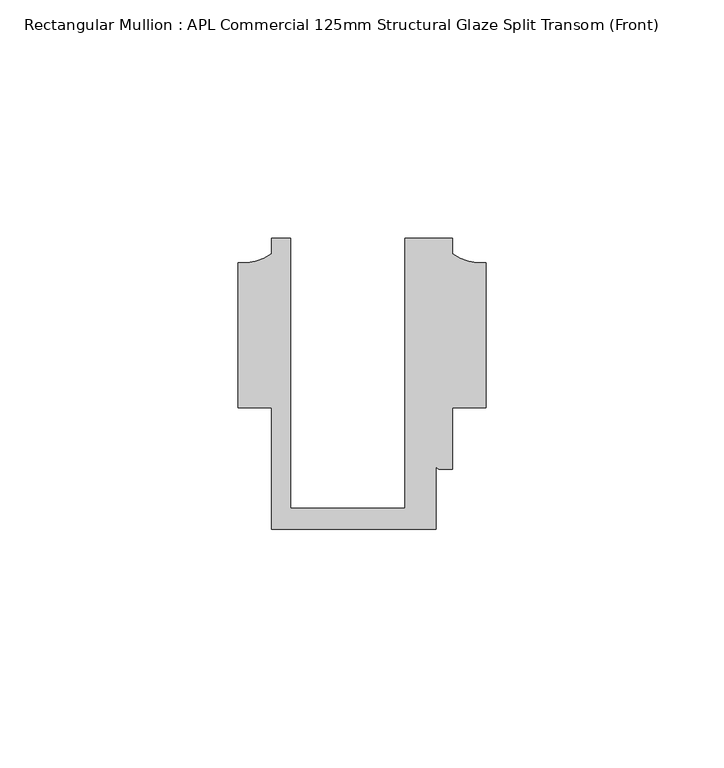
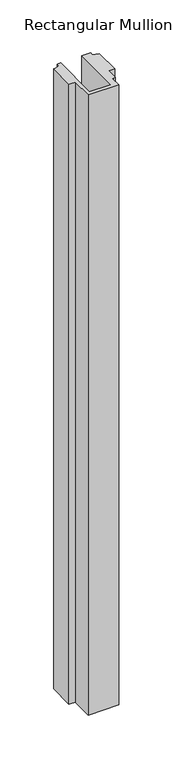
"""IFC4 building model written with IfcOpenShell, lengths in millimetres: member geometry, Rectangular Mullion : APL Commercial 125mm Structural Glaze Split Transom (Front)."""

from ifc_helpers import new_model, si_unit, point, frame, frame_2d, origin, place, context, project, spatial, polyline, circle_curve, trimmed, segment, composite_curve, outline, extrude, source, transform, mapped, element, save


def rectangular_mullion_apl_commercial_125mm_structural_glaze_70fb723a(model_context):
    return source(origin(), model_context, "Body", "SweptSolid", [
        extrude(outline(composite_curve([segment(polyline([(-24.0309529, 20.5), (-24.0309529, -36.1008577), (0.0, -36.1008577), (0.0, 20.5), (10.0000029, 20.5), (10.0000029, 17.3121423)]), True, "CONTINUOUS"), segment(trimmed(circle_curve(frame_2d((16.1098048, 25.7978024)), 10.4563907), [point((10.0000029, 17.3121423))], [point((16.999942, 15.3793686))], True, "CARTESIAN"), True, "CONTINUOUS"), segment(polyline([(16.999942, 15.3793686), (16.999942, -15.0004617), (10.0000029, -15.0004617), (10.0000029, -28.0002131), (7.5000029, -28.0002131)]), True, "CONTINUOUS"), segment(trimmed(circle_curve(frame_2d((7.5000029, -27.0002131)), 1.0), [point((7.5000029, -28.0002131))], [point((6.5000029, -27.0002131))], False, "CARTESIAN"), True, "CONTINUOUS"), segment(polyline([(6.5000029, -27.0002131), (6.5000029, -40.499932), (-28.0000482, -40.499932), (-28.0000482, -15.001276), (-34.9999873, -15.001276), (-34.9999873, 15.3795682)]), True, "CONTINUOUS"), segment(trimmed(circle_curve(frame_2d((-34.10985, 25.7980019)), 10.4563907), [point((-34.9999873, 15.3795682))], [point((-28.0000482, 17.3123419))], True, "CARTESIAN"), True, "CONTINUOUS"), segment(polyline([(-28.0000482, 17.3123419), (-28.0000482, 20.5), (-24.0309529, 20.5)]), True, "CONTINUOUS")], self_intersect=False)), frame((0.0, 0.0, -743.3628626), z_axis=(0.0, 0.0, 1.0), x_axis=(1.0, 0.0, 0.0)), (0.0, 0.0, 1.0), 743.3628626),
    ])


if __name__ == "__main__":
    model = new_model("IFC4")
    model_context = context("Model", 3, world=origin())
    ifc_project = project(units=[si_unit("LENGTHUNIT", "METRE", prefix="MILLI")], contexts=[model_context])
    site = spatial("IfcSite", under=ifc_project)
    building = spatial("IfcBuilding", under=site)
    placement = place(None, origin())
    rectangular_mullion_apl_commercial_125mm_structural_glaze_shape = rectangular_mullion_apl_commercial_125mm_structural_glaze_70fb723a(model_context)
    element("IfcMember", 1, ObjectType="Rectangular Mullion : APL Commercial 125mm Structural Glaze Split Transom (Front)", at=placement, inside=building, context=model_context, shape_type="MappedRepresentation", body=[
        mapped(rectangular_mullion_apl_commercial_125mm_structural_glaze_shape, transform((0.0, 0.0, 0.0), x_axis=(1.0, 0.0, 0.0), y_axis=(0.0, 1.0, 0.0), z_axis=(0.0, 0.0, 1.0))),
    ])
    save(model, "model.ifc")
